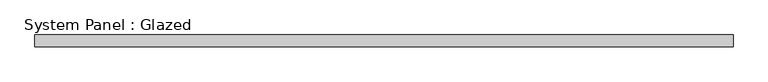
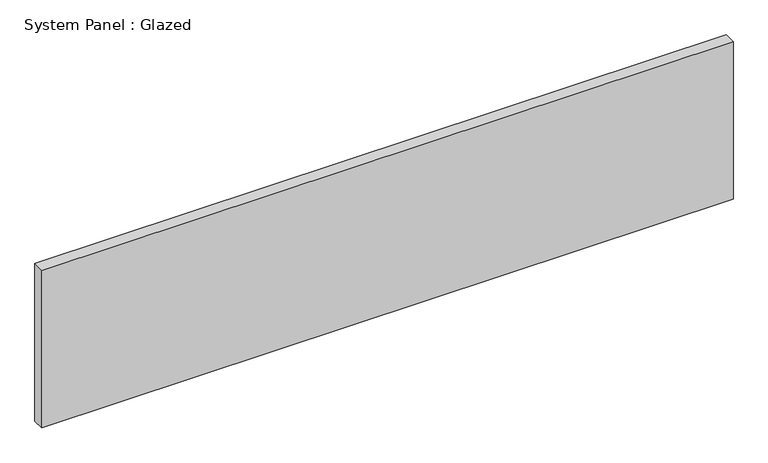
"""IFC4 building model written with IfcOpenShell, lengths in millimetres: plate geometry, System Panel : Glazed."""

import ifcopenshell
import ifcopenshell.guid

model = None  # the IFC model being written
_history = None  # IfcOwnerHistory: only IFC2X3 demands one
_inside = {}  # id of a spatial element -> (the spatial element, [elements in it])
_under = {}  # id of a project, library or spatial element -> (it, [spatial elements below it])
_declared = {}  # id of a project -> (the project, [libraries it declares])
_typed = {}  # id of a type object -> (the type object, [elements of that type])
_made_of = {}  # id of a material, layer set ... -> (it, [elements and type objects made of it])


def new_model(schema):
    """Start an empty IFC model of exactly this schema.

    Asked for "IFC4X3", IfcOpenShell would pick the latest addendum, in which some entities
    have other attributes; the version numbers below select the first issue.
    IFC2X3 requires an IfcOwnerHistory on every rooted entity: one is made here for all.
    """
    global model, _history
    if schema == "IFC4X3":
        model = ifcopenshell.file(schema_version=(4, 3, 0, 0))
    else:
        model = ifcopenshell.file(schema=schema)
    _inside.clear()
    _under.clear()
    _declared.clear()
    _typed.clear()
    _made_of.clear()
    _history = None
    if model.schema == "IFC2X3":
        org = make("IfcOrganization", Name="unknown")
        user = make(
            "IfcPersonAndOrganization",
            ThePerson=make("IfcPerson", FamilyName="unknown"),
            TheOrganization=org,
        )
        app = make(
            "IfcApplication",
            ApplicationDeveloper=org,
            Version="unknown",
            ApplicationFullName="unknown",
            ApplicationIdentifier="unknown",
        )
        _history = make(
            "IfcOwnerHistory",
            OwningUser=user,
            OwningApplication=app,
            ChangeAction="ADDED",
            CreationDate=0,
        )
    return model


def make(cls, **values):
    """One entity of the class cls with the attributes given. An attribute that is None is left unset."""
    return model.create_entity(
        cls, **{name: value for name, value in values.items() if value is not None}
    )


def rooted(cls, **values):
    """An entity with a GlobalId (a new one), such as an element, a storey or a relation."""
    return make(cls, GlobalId=ifcopenshell.guid.new(), OwnerHistory=_history, **values)


def si_unit(unit_type, name, prefix=None):
    """IfcSIUnit, for example si_unit("LENGTHUNIT", "METRE", prefix="MILLI")."""
    return make("IfcSIUnit", UnitType=unit_type, Prefix=prefix, Name=name)


def assignment(units):
    """IfcUnitAssignment: the units of a project."""
    return None if units is None else make("IfcUnitAssignment", Units=units)


def point(xyz):
    """IfcCartesianPoint."""
    return None if xyz is None else make("IfcCartesianPoint", Coordinates=xyz)


def direction(xyz):
    """IfcDirection."""
    return None if xyz is None else make("IfcDirection", DirectionRatios=xyz)


def frame(location, z_axis=None, x_axis=None):
    """IfcAxis2Placement3D, a coordinate frame: its origin and axes. An axis left out is left unset."""
    return make(
        "IfcAxis2Placement3D",
        Location=point(location),
        Axis=direction(z_axis),
        RefDirection=direction(x_axis),
    )


def origin():
    """The frame at (0, 0, 0) with its axes left unset."""
    return frame((0.0, 0.0, 0.0))


def origin_with_axes():
    """The frame at (0, 0, 0) with the z axis (0, 0, 1) and the x axis (1, 0, 0) written out."""
    return frame((0.0, 0.0, 0.0), z_axis=(0.0, 0.0, 1.0), x_axis=(1.0, 0.0, 0.0))


def place(relative_to, where):
    """IfcLocalPlacement: puts the frame where relative to a parent placement (None: the world)."""
    return make(
        "IfcLocalPlacement", PlacementRelTo=relative_to, RelativePlacement=where
    )


def context(
    kind, dimensions, precision=None, world=None, true_north=None, identifier=None
):
    """IfcGeometricRepresentationContext, for example the 3D "Model" context."""
    return make(
        "IfcGeometricRepresentationContext",
        ContextIdentifier=identifier,
        ContextType=kind,
        CoordinateSpaceDimension=dimensions,
        Precision=precision,
        WorldCoordinateSystem=world,
        TrueNorth=true_north,
    )


def project(units=None, contexts=None):
    """IfcProject with its units and contexts."""
    return rooted(
        "IfcProject",
        Name="project",
        RepresentationContexts=contexts,
        UnitsInContext=assignment(units),
    )


def spatial(cls, under=None, at=None, **own):
    """A site, building, storey or space (cls), placed at a placement, below another one or the project."""
    s = rooted(cls, ObjectPlacement=at, **own)
    if under is not None:
        _under.setdefault(under.id(), (under, []))[1].append(s)
    return s


def polyline(points):
    """IfcPolyline through the points."""
    return make("IfcPolyline", Points=[point(p) for p in points])


def outline(outer, holes=None, kind="AREA"):
    """IfcArbitraryClosedProfileDef: a profile drawn as a closed curve; with holes, ...WithVoids."""
    if holes is None:
        return make("IfcArbitraryClosedProfileDef", ProfileType=kind, OuterCurve=outer)
    return make(
        "IfcArbitraryProfileDefWithVoids",
        ProfileType=kind,
        OuterCurve=outer,
        InnerCurves=holes,
    )


def extrude(swept, where, along, depth):
    """IfcExtrudedAreaSolid: the profile swept, set in the frame where, extruded along a direction by depth."""
    return make(
        "IfcExtrudedAreaSolid",
        SweptArea=swept,
        Position=where,
        ExtrudedDirection=direction(along),
        Depth=depth,
    )


def shape(context_of_items, identifier, shape_type, items):
    """IfcShapeRepresentation: the items that make up one representation, for example the "Body"."""
    return make(
        "IfcShapeRepresentation",
        ContextOfItems=context_of_items,
        RepresentationIdentifier=identifier,
        RepresentationType=shape_type,
        Items=items,
    )


def source(mapping_origin, context_of_items, identifier, shape_type, items):
    """IfcRepresentationMap: a shape defined once, which mapped items show again and again."""
    return make(
        "IfcRepresentationMap",
        MappingOrigin=mapping_origin,
        MappedRepresentation=shape(context_of_items, identifier, shape_type, items),
    )


def transform(
    local_origin,
    x_axis=None,
    y_axis=None,
    z_axis=None,
    scale=None,
    scale2=None,
    scale3=None,
    uniform=True,
):
    """IfcCartesianTransformationOperator3D, or its non-uniform kind. x_axis, y_axis, z_axis: its Axis1, 2, 3."""
    if uniform:
        return make(
            "IfcCartesianTransformationOperator3D",
            Axis1=direction(x_axis),
            Axis2=direction(y_axis),
            LocalOrigin=point(local_origin),
            Scale=scale,
            Axis3=direction(z_axis),
        )
    return make(
        "IfcCartesianTransformationOperator3DnonUniform",
        Axis1=direction(x_axis),
        Axis2=direction(y_axis),
        LocalOrigin=point(local_origin),
        Scale=scale,
        Axis3=direction(z_axis),
        Scale2=scale2,
        Scale3=scale3,
    )


def mapped(mapping_source, mapping_target):
    """IfcMappedItem: shows the shape of a source again, moved by a transform."""
    return make(
        "IfcMappedItem", MappingSource=mapping_source, MappingTarget=mapping_target
    )


def made_of(thing, what):
    """Note that an element or type object is made of a material, layer set ...; save() writes the relation."""
    if what is not None:
        _made_of.setdefault(what.id(), (what, []))[1].append(thing)
    return thing


def element(
    cls,
    number,
    at=None,
    inside=None,
    cuts=None,
    type_object=None,
    material=None,
    context=None,
    identifier="Body",
    shape_type=None,
    held_by="IfcProductDefinitionShape",
    body=None,
    shapes=None,
    **own,
):
    """One element of the class cls, such as IfcWall. Its Tag is "e" and its number.

    at: its placement. inside: the storey or other place that contains it. cuts: it is an
    opening in that element (IfcRelVoidsElement). A single representation is given by context,
    identifier, shape_type and body (its items); several are given by shapes. held_by: the class
    of the entity that holds the representations. save() writes the other relations.
    """
    e = rooted(cls, Tag="e%d" % number, ObjectPlacement=at, **own)
    if body is not None:
        shapes = [shape(context, identifier, shape_type, body)]
    if shapes is not None:
        e.Representation = make(held_by, Representations=shapes)
    if inside is not None:
        _inside.setdefault(inside.id(), (inside, []))[1].append(e)
    if cuts is not None:
        rooted(
            "IfcRelVoidsElement", RelatingBuildingElement=cuts, RelatedOpeningElement=e
        )
    if type_object is not None:
        _typed.setdefault(type_object.id(), (type_object, []))[1].append(e)
    return made_of(e, material)


def aggregate(whole, parts):
    """IfcRelAggregates: a whole, such as a stair, and the parts it consists of."""
    return rooted("IfcRelAggregates", RelatingObject=whole, RelatedObjects=parts)


def save(model, path):
    """Write the relations noted so far, then the file.

    IfcRelAggregates (storeys below a building ...), IfcRelContainedInSpatialStructure (elements
    in a storey), IfcRelDefinesByType, IfcRelAssociatesMaterial and IfcRelDeclares: one each for
    every whole, place, type object, material and project.
    """
    for whole, parts in _under.values():
        aggregate(whole, parts)
    for where, things in _inside.values():
        rooted(
            "IfcRelContainedInSpatialStructure",
            RelatedElements=things,
            RelatingStructure=where,
        )
    for kind, things in _typed.values():
        rooted("IfcRelDefinesByType", RelatedObjects=things, RelatingType=kind)
    for what, things in _made_of.values():
        rooted("IfcRelAssociatesMaterial", RelatedObjects=things, RelatingMaterial=what)
    for by, libraries in _declared.values():
        rooted("IfcRelDeclares", RelatingContext=by, RelatedDefinitions=libraries)
    model.write(path)


def system_panel_glazed_847fff68(model_context):
    return source(origin(), model_context, "Body", "SweptSolid", [
        extrude(outline(polyline([(750.0, 19.05), (-750.0, 19.05), (-750.0, 44.45), (750.0, 44.45), (750.0, 19.05)])), origin_with_axes(), (0.0, 0.0, 1.0), 361.6),
    ])


if __name__ == "__main__":
    model = new_model("IFC4")
    model_context = context("Model", 3, world=origin())
    ifc_project = project(units=[si_unit("LENGTHUNIT", "METRE", prefix="MILLI")], contexts=[model_context])
    site = spatial("IfcSite", under=ifc_project)
    building = spatial("IfcBuilding", under=site)
    placement = place(None, origin())
    system_panel_glazed_shape = system_panel_glazed_847fff68(model_context)
    element("IfcPlate", 1, ObjectType="System Panel : Glazed", at=placement, inside=building, context=model_context, shape_type="MappedRepresentation", body=[
        mapped(system_panel_glazed_shape, transform((0.0, 0.0, 0.0), x_axis=(1.0, 0.0, 0.0), y_axis=(0.0, 1.0, 0.0), z_axis=(0.0, 0.0, 1.0))),
    ])
    save(model, "model.ifc")
